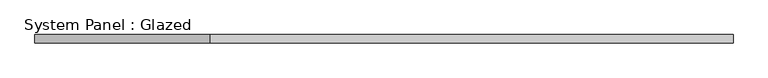
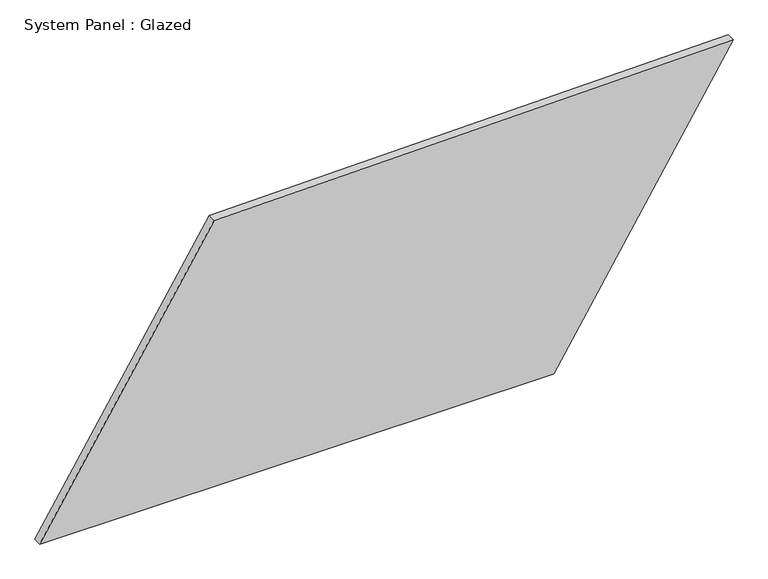
"""IFC4 building model written with IfcOpenShell, lengths in millimetres: plate geometry, System Panel : Glazed."""

from ifc_helpers import new_model, si_unit, frame, origin, place, context, project, spatial, polyline, outline, extrude, source, transform, mapped, element, save


def system_panel_glazed_e5d3f64f(model_context):
    return source(origin(), model_context, "Body", "SweptSolid", [
        extrude(outline(polyline([(0.0, -1058.5094391), (0.0, 510.4309159), (888.6620062, 1058.5094391), (859.0182177, -526.090785), (0.0, -1058.5094391)])), frame((0.0, -49.5, 0.0), z_axis=(0.0, 1.0, 0.0), x_axis=(0.0, 0.0, 1.0)), (0.0, 0.0, 1.0), 25.0),
    ])


if __name__ == "__main__":
    model = new_model("IFC4")
    model_context = context("Model", 3, world=origin())
    ifc_project = project(units=[si_unit("LENGTHUNIT", "METRE", prefix="MILLI")], contexts=[model_context])
    site = spatial("IfcSite", under=ifc_project)
    building = spatial("IfcBuilding", under=site)
    placement = place(None, origin())
    system_panel_glazed_shape = system_panel_glazed_e5d3f64f(model_context)
    element("IfcPlate", 1, ObjectType="System Panel : Glazed", at=placement, inside=building, context=model_context, shape_type="MappedRepresentation", body=[
        mapped(system_panel_glazed_shape, transform((0.0, 0.0, 0.0), x_axis=(1.0, 0.0, 0.0), y_axis=(0.0, 1.0, 0.0), z_axis=(0.0, 0.0, 1.0))),
    ])
    save(model, "model.ifc")
